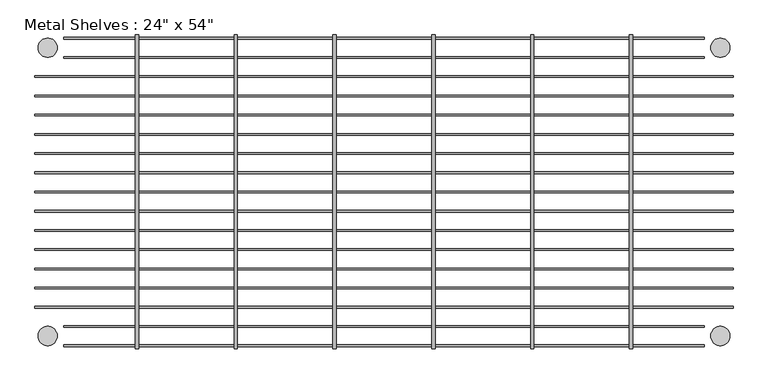
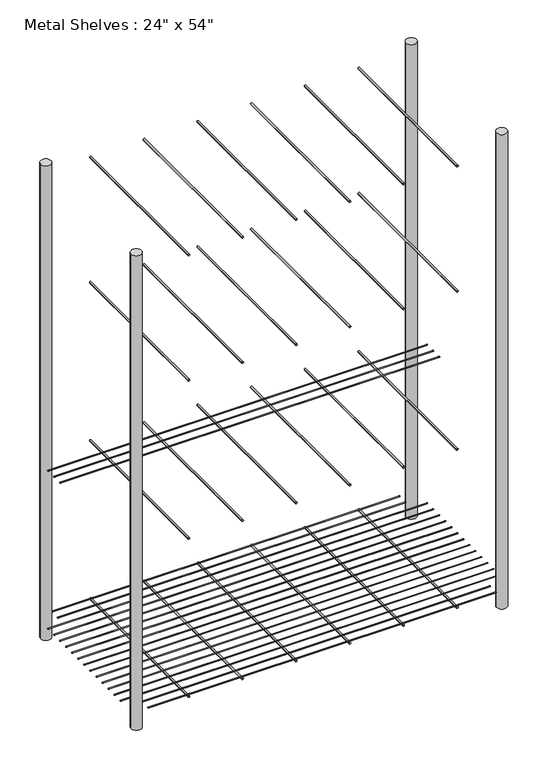
"""IFC4 building model written with IfcOpenShell, lengths in millimetres: proxy geometry."""

from ifc_helpers import new_model, si_unit, point, frame, frame_2d, origin, origin_with_axes, place, context, project, spatial, circle_curve, trimmed, segment, composite_curve, outline, extrude, source, transform, mapped, element, save


def proxy_f525ea21(model_context):
    return source(origin(), model_context, "Body", "SweptSolid", [
        extrude(outline(composite_curve([segment(trimmed(circle_curve(frame_2d((152.4, 684.2125)), 1.5875), [point((150.8125, 684.2125))], [point((153.9875, 684.2125))], False, "CARTESIAN"), True, "CONTINUOUS"), segment(trimmed(circle_curve(frame_2d((152.4, 684.2125)), 1.5875), [point((153.9875, 684.2125))], [point((150.8125, 684.2125))], False, "CARTESIAN"), True, "CONTINUOUS")], self_intersect=False)), frame((-692.15, 0.0, 0.0), z_axis=(1.0, 0.0, 0.0), x_axis=(0.0, 1.0, 0.0)), (0.0, 0.0, 1.0), 1384.3),
        extrude(outline(composite_curve([segment(trimmed(circle_curve(frame_2d((190.5, 684.2125)), 1.5875), [point((188.9125, 684.2125))], [point((192.0875, 684.2125))], False, "CARTESIAN"), True, "CONTINUOUS"), segment(trimmed(circle_curve(frame_2d((190.5, 684.2125)), 1.5875), [point((192.0875, 684.2125))], [point((188.9125, 684.2125))], False, "CARTESIAN"), True, "CONTINUOUS")], self_intersect=False)), frame((-692.15, 0.0, 0.0), z_axis=(1.0, 0.0, 0.0), x_axis=(0.0, 1.0, 0.0)), (0.0, 0.0, 1.0), 1384.3),
        extrude(outline(composite_curve([segment(trimmed(circle_curve(frame_2d((228.6, 684.2125)), 1.5875), [point((227.0125, 684.2125))], [point((230.1875, 684.2125))], False, "CARTESIAN"), True, "CONTINUOUS"), segment(trimmed(circle_curve(frame_2d((228.6, 684.2125)), 1.5875), [point((230.1875, 684.2125))], [point((227.0125, 684.2125))], False, "CARTESIAN"), True, "CONTINUOUS")], self_intersect=False)), frame((-692.15, 0.0, 0.0), z_axis=(1.0, 0.0, 0.0), x_axis=(0.0, 1.0, 0.0)), (0.0, 0.0, 1.0), 1384.3),
        extrude(outline(composite_curve([segment(trimmed(circle_curve(frame_2d((304.8, 74.6125)), 1.5875), [point((303.2125, 74.6125))], [point((306.3875, 74.6125))], False, "CARTESIAN"), True, "CONTINUOUS"), segment(trimmed(circle_curve(frame_2d((304.8, 74.6125)), 1.5875), [point((306.3875, 74.6125))], [point((303.2125, 74.6125))], False, "CARTESIAN"), True, "CONTINUOUS")], self_intersect=False)), frame((-635.0, 0.0, 0.0), z_axis=(1.0, 0.0, 0.0), x_axis=(0.0, 1.0, 0.0)), (0.0, 0.0, 1.0), 1270.0),
        extrude(outline(composite_curve([segment(trimmed(circle_curve(frame_2d((266.7, 74.6125)), 1.5875), [point((265.1125, 74.6125))], [point((268.2875, 74.6125))], False, "CARTESIAN"), True, "CONTINUOUS"), segment(trimmed(circle_curve(frame_2d((266.7, 74.6125)), 1.5875), [point((268.2875, 74.6125))], [point((265.1125, 74.6125))], False, "CARTESIAN"), True, "CONTINUOUS")], self_intersect=False)), frame((-635.0, 0.0, 0.0), z_axis=(1.0, 0.0, 0.0), x_axis=(0.0, 1.0, 0.0)), (0.0, 0.0, 1.0), 1270.0),
        extrude(outline(composite_curve([segment(trimmed(circle_curve(frame_2d((-304.8, 74.6125)), 1.5875), [point((-306.3875, 74.6125))], [point((-303.2125, 74.6125))], False, "CARTESIAN"), True, "CONTINUOUS"), segment(trimmed(circle_curve(frame_2d((-304.8, 74.6125)), 1.5875), [point((-303.2125, 74.6125))], [point((-306.3875, 74.6125))], False, "CARTESIAN"), True, "CONTINUOUS")], self_intersect=False)), frame((-635.0, 0.0, 0.0), z_axis=(1.0, 0.0, 0.0), x_axis=(0.0, 1.0, 0.0)), (0.0, 0.0, 1.0), 1270.0),
        extrude(outline(composite_curve([segment(trimmed(circle_curve(frame_2d((-266.7, 74.6125)), 1.5875), [point((-268.2875, 74.6125))], [point((-265.1125, 74.6125))], False, "CARTESIAN"), True, "CONTINUOUS"), segment(trimmed(circle_curve(frame_2d((-266.7, 74.6125)), 1.5875), [point((-265.1125, 74.6125))], [point((-268.2875, 74.6125))], False, "CARTESIAN"), True, "CONTINUOUS")], self_intersect=False)), frame((-635.0, 0.0, 0.0), z_axis=(1.0, 0.0, 0.0), x_axis=(0.0, 1.0, 0.0)), (0.0, 0.0, 1.0), 1270.0),
        extrude(outline(composite_curve([segment(trimmed(circle_curve(frame_2d((-228.6, 74.6125)), 1.5875), [point((-230.1875, 74.6125))], [point((-227.0125, 74.6125))], False, "CARTESIAN"), True, "CONTINUOUS"), segment(trimmed(circle_curve(frame_2d((-228.6, 74.6125)), 1.5875), [point((-227.0125, 74.6125))], [point((-230.1875, 74.6125))], False, "CARTESIAN"), True, "CONTINUOUS")], self_intersect=False)), frame((-692.15, 0.0, 0.0), z_axis=(1.0, 0.0, 0.0), x_axis=(0.0, 1.0, 0.0)), (0.0, 0.0, 1.0), 1384.3),
        extrude(outline(composite_curve([segment(trimmed(circle_curve(frame_2d((-190.5, 74.6125)), 1.5875), [point((-192.0875, 74.6125))], [point((-188.9125, 74.6125))], False, "CARTESIAN"), True, "CONTINUOUS"), segment(trimmed(circle_curve(frame_2d((-190.5, 74.6125)), 1.5875), [point((-188.9125, 74.6125))], [point((-192.0875, 74.6125))], False, "CARTESIAN"), True, "CONTINUOUS")], self_intersect=False)), frame((-692.15, 0.0, 0.0), z_axis=(1.0, 0.0, 0.0), x_axis=(0.0, 1.0, 0.0)), (0.0, 0.0, 1.0), 1384.3),
        extrude(outline(composite_curve([segment(trimmed(circle_curve(frame_2d((-152.4, 74.6125)), 1.5875), [point((-153.9875, 74.6125))], [point((-150.8125, 74.6125))], False, "CARTESIAN"), True, "CONTINUOUS"), segment(trimmed(circle_curve(frame_2d((-152.4, 74.6125)), 1.5875), [point((-150.8125, 74.6125))], [point((-153.9875, 74.6125))], False, "CARTESIAN"), True, "CONTINUOUS")], self_intersect=False)), frame((-692.15, 0.0, 0.0), z_axis=(1.0, 0.0, 0.0), x_axis=(0.0, 1.0, 0.0)), (0.0, 0.0, 1.0), 1384.3),
        extrude(outline(composite_curve([segment(trimmed(circle_curve(frame_2d((-114.3, 74.6125)), 1.5875), [point((-115.8875, 74.6125))], [point((-112.7125, 74.6125))], False, "CARTESIAN"), True, "CONTINUOUS"), segment(trimmed(circle_curve(frame_2d((-114.3, 74.6125)), 1.5875), [point((-112.7125, 74.6125))], [point((-115.8875, 74.6125))], False, "CARTESIAN"), True, "CONTINUOUS")], self_intersect=False)), frame((-692.15, 0.0, 0.0), z_axis=(1.0, 0.0, 0.0), x_axis=(0.0, 1.0, 0.0)), (0.0, 0.0, 1.0), 1384.3),
        extrude(outline(composite_curve([segment(trimmed(circle_curve(frame_2d((-76.2, 74.6125)), 1.5875), [point((-77.7875, 74.6125))], [point((-74.6125, 74.6125))], False, "CARTESIAN"), True, "CONTINUOUS"), segment(trimmed(circle_curve(frame_2d((-76.2, 74.6125)), 1.5875), [point((-74.6125, 74.6125))], [point((-77.7875, 74.6125))], False, "CARTESIAN"), True, "CONTINUOUS")], self_intersect=False)), frame((-692.15, 0.0, 0.0), z_axis=(1.0, 0.0, 0.0), x_axis=(0.0, 1.0, 0.0)), (0.0, 0.0, 1.0), 1384.3),
        extrude(outline(composite_curve([segment(trimmed(circle_curve(frame_2d((-38.1, 74.6125)), 1.5875), [point((-39.6875, 74.6125))], [point((-36.5125, 74.6125))], False, "CARTESIAN"), True, "CONTINUOUS"), segment(trimmed(circle_curve(frame_2d((-38.1, 74.6125)), 1.5875), [point((-36.5125, 74.6125))], [point((-39.6875, 74.6125))], False, "CARTESIAN"), True, "CONTINUOUS")], self_intersect=False)), frame((-692.15, 0.0, 0.0), z_axis=(1.0, 0.0, 0.0), x_axis=(0.0, 1.0, 0.0)), (0.0, 0.0, 1.0), 1384.3),
        extrude(outline(composite_curve([segment(trimmed(circle_curve(frame_2d((0.0, 74.6125)), 1.5875), [point((-1.5875, 74.6125))], [point((1.5875, 74.6125))], False, "CARTESIAN"), True, "CONTINUOUS"), segment(trimmed(circle_curve(frame_2d((0.0, 74.6125)), 1.5875), [point((1.5875, 74.6125))], [point((-1.5875, 74.6125))], False, "CARTESIAN"), True, "CONTINUOUS")], self_intersect=False)), frame((-692.15, 0.0, 0.0), z_axis=(1.0, 0.0, 0.0), x_axis=(0.0, 1.0, 0.0)), (0.0, 0.0, 1.0), 1384.3),
        extrude(outline(composite_curve([segment(trimmed(circle_curve(frame_2d((38.1, 74.6125)), 1.5875), [point((36.5125, 74.6125))], [point((39.6875, 74.6125))], False, "CARTESIAN"), True, "CONTINUOUS"), segment(trimmed(circle_curve(frame_2d((38.1, 74.6125)), 1.5875), [point((39.6875, 74.6125))], [point((36.5125, 74.6125))], False, "CARTESIAN"), True, "CONTINUOUS")], self_intersect=False)), frame((-692.15, 0.0, 0.0), z_axis=(1.0, 0.0, 0.0), x_axis=(0.0, 1.0, 0.0)), (0.0, 0.0, 1.0), 1384.3),
        extrude(outline(composite_curve([segment(trimmed(circle_curve(frame_2d((76.2, 74.6125)), 1.5875), [point((74.6125, 74.6125))], [point((77.7875, 74.6125))], False, "CARTESIAN"), True, "CONTINUOUS"), segment(trimmed(circle_curve(frame_2d((76.2, 74.6125)), 1.5875), [point((77.7875, 74.6125))], [point((74.6125, 74.6125))], False, "CARTESIAN"), True, "CONTINUOUS")], self_intersect=False)), frame((-692.15, 0.0, 0.0), z_axis=(1.0, 0.0, 0.0), x_axis=(0.0, 1.0, 0.0)), (0.0, 0.0, 1.0), 1384.3),
        extrude(outline(composite_curve([segment(trimmed(circle_curve(frame_2d((114.3, 74.6125)), 1.5875), [point((112.7125, 74.6125))], [point((115.8875, 74.6125))], False, "CARTESIAN"), True, "CONTINUOUS"), segment(trimmed(circle_curve(frame_2d((114.3, 74.6125)), 1.5875), [point((115.8875, 74.6125))], [point((112.7125, 74.6125))], False, "CARTESIAN"), True, "CONTINUOUS")], self_intersect=False)), frame((-692.15, 0.0, 0.0), z_axis=(1.0, 0.0, 0.0), x_axis=(0.0, 1.0, 0.0)), (0.0, 0.0, 1.0), 1384.3),
        extrude(outline(composite_curve([segment(trimmed(circle_curve(frame_2d((152.4, 74.6125)), 1.5875), [point((150.8125, 74.6125))], [point((153.9875, 74.6125))], False, "CARTESIAN"), True, "CONTINUOUS"), segment(trimmed(circle_curve(frame_2d((152.4, 74.6125)), 1.5875), [point((153.9875, 74.6125))], [point((150.8125, 74.6125))], False, "CARTESIAN"), True, "CONTINUOUS")], self_intersect=False)), frame((-692.15, 0.0, 0.0), z_axis=(1.0, 0.0, 0.0), x_axis=(0.0, 1.0, 0.0)), (0.0, 0.0, 1.0), 1384.3),
        extrude(outline(composite_curve([segment(trimmed(circle_curve(frame_2d((190.5, 74.6125)), 1.5875), [point((188.9125, 74.6125))], [point((192.0875, 74.6125))], False, "CARTESIAN"), True, "CONTINUOUS"), segment(trimmed(circle_curve(frame_2d((190.5, 74.6125)), 1.5875), [point((192.0875, 74.6125))], [point((188.9125, 74.6125))], False, "CARTESIAN"), True, "CONTINUOUS")], self_intersect=False)), frame((-692.15, 0.0, 0.0), z_axis=(1.0, 0.0, 0.0), x_axis=(0.0, 1.0, 0.0)), (0.0, 0.0, 1.0), 1384.3),
        extrude(outline(composite_curve([segment(trimmed(circle_curve(frame_2d((228.6, 74.6125)), 1.5875), [point((227.0125, 74.6125))], [point((230.1875, 74.6125))], False, "CARTESIAN"), True, "CONTINUOUS"), segment(trimmed(circle_curve(frame_2d((228.6, 74.6125)), 1.5875), [point((230.1875, 74.6125))], [point((227.0125, 74.6125))], False, "CARTESIAN"), True, "CONTINUOUS")], self_intersect=False)), frame((-692.15, 0.0, 0.0), z_axis=(1.0, 0.0, 0.0), x_axis=(0.0, 1.0, 0.0)), (0.0, 0.0, 1.0), 1384.3),
        extrude(outline(composite_curve([segment(trimmed(circle_curve(frame_2d((1771.65, 489.8571429)), 3.175), [point((1771.65, 486.6821429))], [point((1771.65, 493.0321429))], False, "CARTESIAN"), True, "CONTINUOUS"), segment(trimmed(circle_curve(frame_2d((1771.65, 489.8571429)), 3.175), [point((1771.65, 493.0321429))], [point((1771.65, 486.6821429))], False, "CARTESIAN"), True, "CONTINUOUS")], self_intersect=False)), frame((0.0, -311.15, 0.0), z_axis=(0.0, 1.0, 0.0), x_axis=(0.0, 0.0, 1.0)), (0.0, 0.0, 1.0), 622.3),
        extrude(outline(composite_curve([segment(trimmed(circle_curve(frame_2d((1771.65, 293.9142857)), 3.175), [point((1771.65, 290.7392857))], [point((1771.65, 297.0892857))], False, "CARTESIAN"), True, "CONTINUOUS"), segment(trimmed(circle_curve(frame_2d((1771.65, 293.9142857)), 3.175), [point((1771.65, 297.0892857))], [point((1771.65, 290.7392857))], False, "CARTESIAN"), True, "CONTINUOUS")], self_intersect=False)), frame((0.0, -311.15, 0.0), z_axis=(0.0, 1.0, 0.0), x_axis=(0.0, 0.0, 1.0)), (0.0, 0.0, 1.0), 622.3),
        extrude(outline(composite_curve([segment(trimmed(circle_curve(frame_2d((1771.65, 97.9714286)), 3.175), [point((1771.65, 94.7964286))], [point((1771.65, 101.1464286))], False, "CARTESIAN"), True, "CONTINUOUS"), segment(trimmed(circle_curve(frame_2d((1771.65, 97.9714286)), 3.175), [point((1771.65, 101.1464286))], [point((1771.65, 94.7964286))], False, "CARTESIAN"), True, "CONTINUOUS")], self_intersect=False)), frame((0.0, -311.15, 0.0), z_axis=(0.0, 1.0, 0.0), x_axis=(0.0, 0.0, 1.0)), (0.0, 0.0, 1.0), 622.3),
        extrude(outline(composite_curve([segment(trimmed(circle_curve(frame_2d((1771.65, -489.8571429)), 3.175), [point((1771.65, -493.0321429))], [point((1771.65, -486.6821429))], False, "CARTESIAN"), True, "CONTINUOUS"), segment(trimmed(circle_curve(frame_2d((1771.65, -489.8571429)), 3.175), [point((1771.65, -486.6821429))], [point((1771.65, -493.0321429))], False, "CARTESIAN"), True, "CONTINUOUS")], self_intersect=False)), frame((0.0, -311.15, 0.0), z_axis=(0.0, 1.0, 0.0), x_axis=(0.0, 0.0, 1.0)), (0.0, 0.0, 1.0), 622.3),
        extrude(outline(composite_curve([segment(trimmed(circle_curve(frame_2d((1771.65, -293.9142857)), 3.175), [point((1771.65, -297.0892857))], [point((1771.65, -290.7392857))], False, "CARTESIAN"), True, "CONTINUOUS"), segment(trimmed(circle_curve(frame_2d((1771.65, -293.9142857)), 3.175), [point((1771.65, -290.7392857))], [point((1771.65, -297.0892857))], False, "CARTESIAN"), True, "CONTINUOUS")], self_intersect=False)), frame((0.0, -311.15, 0.0), z_axis=(0.0, 1.0, 0.0), x_axis=(0.0, 0.0, 1.0)), (0.0, 0.0, 1.0), 622.3),
        extrude(outline(composite_curve([segment(trimmed(circle_curve(frame_2d((1771.65, -97.9714286)), 3.175), [point((1771.65, -101.1464286))], [point((1771.65, -94.7964286))], False, "CARTESIAN"), True, "CONTINUOUS"), segment(trimmed(circle_curve(frame_2d((1771.65, -97.9714286)), 3.175), [point((1771.65, -94.7964286))], [point((1771.65, -101.1464286))], False, "CARTESIAN"), True, "CONTINUOUS")], self_intersect=False)), frame((0.0, -311.15, 0.0), z_axis=(0.0, 1.0, 0.0), x_axis=(0.0, 0.0, 1.0)), (0.0, 0.0, 1.0), 622.3),
        extrude(outline(composite_curve([segment(trimmed(circle_curve(frame_2d((1289.05, 489.8571429)), 3.175), [point((1289.05, 486.6821429))], [point((1289.05, 493.0321429))], False, "CARTESIAN"), True, "CONTINUOUS"), segment(trimmed(circle_curve(frame_2d((1289.05, 489.8571429)), 3.175), [point((1289.05, 493.0321429))], [point((1289.05, 486.6821429))], False, "CARTESIAN"), True, "CONTINUOUS")], self_intersect=False)), frame((0.0, -311.15, 0.0), z_axis=(0.0, 1.0, 0.0), x_axis=(0.0, 0.0, 1.0)), (0.0, 0.0, 1.0), 622.3),
        extrude(outline(composite_curve([segment(trimmed(circle_curve(frame_2d((1289.05, 293.9142857)), 3.175), [point((1289.05, 290.7392857))], [point((1289.05, 297.0892857))], False, "CARTESIAN"), True, "CONTINUOUS"), segment(trimmed(circle_curve(frame_2d((1289.05, 293.9142857)), 3.175), [point((1289.05, 297.0892857))], [point((1289.05, 290.7392857))], False, "CARTESIAN"), True, "CONTINUOUS")], self_intersect=False)), frame((0.0, -311.15, 0.0), z_axis=(0.0, 1.0, 0.0), x_axis=(0.0, 0.0, 1.0)), (0.0, 0.0, 1.0), 622.3),
        extrude(outline(composite_curve([segment(trimmed(circle_curve(frame_2d((1289.05, 97.9714286)), 3.175), [point((1289.05, 94.7964286))], [point((1289.05, 101.1464286))], False, "CARTESIAN"), True, "CONTINUOUS"), segment(trimmed(circle_curve(frame_2d((1289.05, 97.9714286)), 3.175), [point((1289.05, 101.1464286))], [point((1289.05, 94.7964286))], False, "CARTESIAN"), True, "CONTINUOUS")], self_intersect=False)), frame((0.0, -311.15, 0.0), z_axis=(0.0, 1.0, 0.0), x_axis=(0.0, 0.0, 1.0)), (0.0, 0.0, 1.0), 622.3),
        extrude(outline(composite_curve([segment(trimmed(circle_curve(frame_2d((1289.05, -489.8571429)), 3.175), [point((1289.05, -493.0321429))], [point((1289.05, -486.6821429))], False, "CARTESIAN"), True, "CONTINUOUS"), segment(trimmed(circle_curve(frame_2d((1289.05, -489.8571429)), 3.175), [point((1289.05, -486.6821429))], [point((1289.05, -493.0321429))], False, "CARTESIAN"), True, "CONTINUOUS")], self_intersect=False)), frame((0.0, -311.15, 0.0), z_axis=(0.0, 1.0, 0.0), x_axis=(0.0, 0.0, 1.0)), (0.0, 0.0, 1.0), 622.3),
        extrude(outline(composite_curve([segment(trimmed(circle_curve(frame_2d((1289.05, -293.9142857)), 3.175), [point((1289.05, -297.0892857))], [point((1289.05, -290.7392857))], False, "CARTESIAN"), True, "CONTINUOUS"), segment(trimmed(circle_curve(frame_2d((1289.05, -293.9142857)), 3.175), [point((1289.05, -290.7392857))], [point((1289.05, -297.0892857))], False, "CARTESIAN"), True, "CONTINUOUS")], self_intersect=False)), frame((0.0, -311.15, 0.0), z_axis=(0.0, 1.0, 0.0), x_axis=(0.0, 0.0, 1.0)), (0.0, 0.0, 1.0), 622.3),
        extrude(outline(composite_curve([segment(trimmed(circle_curve(frame_2d((1289.05, -97.9714286)), 3.175), [point((1289.05, -101.1464286))], [point((1289.05, -94.7964286))], False, "CARTESIAN"), True, "CONTINUOUS"), segment(trimmed(circle_curve(frame_2d((1289.05, -97.9714286)), 3.175), [point((1289.05, -94.7964286))], [point((1289.05, -101.1464286))], False, "CARTESIAN"), True, "CONTINUOUS")], self_intersect=False)), frame((0.0, -311.15, 0.0), z_axis=(0.0, 1.0, 0.0), x_axis=(0.0, 0.0, 1.0)), (0.0, 0.0, 1.0), 622.3),
        extrude(outline(composite_curve([segment(trimmed(circle_curve(frame_2d((679.45, 489.8571429)), 3.175), [point((679.45, 486.6821429))], [point((679.45, 493.0321429))], False, "CARTESIAN"), True, "CONTINUOUS"), segment(trimmed(circle_curve(frame_2d((679.45, 489.8571429)), 3.175), [point((679.45, 493.0321429))], [point((679.45, 486.6821429))], False, "CARTESIAN"), True, "CONTINUOUS")], self_intersect=False)), frame((0.0, -311.15, 0.0), z_axis=(0.0, 1.0, 0.0), x_axis=(0.0, 0.0, 1.0)), (0.0, 0.0, 1.0), 622.3),
        extrude(outline(composite_curve([segment(trimmed(circle_curve(frame_2d((679.45, 293.9142857)), 3.175), [point((679.45, 290.7392857))], [point((679.45, 297.0892857))], False, "CARTESIAN"), True, "CONTINUOUS"), segment(trimmed(circle_curve(frame_2d((679.45, 293.9142857)), 3.175), [point((679.45, 297.0892857))], [point((679.45, 290.7392857))], False, "CARTESIAN"), True, "CONTINUOUS")], self_intersect=False)), frame((0.0, -311.15, 0.0), z_axis=(0.0, 1.0, 0.0), x_axis=(0.0, 0.0, 1.0)), (0.0, 0.0, 1.0), 622.3),
        extrude(outline(composite_curve([segment(trimmed(circle_curve(frame_2d((679.45, 97.9714286)), 3.175), [point((679.45, 94.7964286))], [point((679.45, 101.1464286))], False, "CARTESIAN"), True, "CONTINUOUS"), segment(trimmed(circle_curve(frame_2d((679.45, 97.9714286)), 3.175), [point((679.45, 101.1464286))], [point((679.45, 94.7964286))], False, "CARTESIAN"), True, "CONTINUOUS")], self_intersect=False)), frame((0.0, -311.15, 0.0), z_axis=(0.0, 1.0, 0.0), x_axis=(0.0, 0.0, 1.0)), (0.0, 0.0, 1.0), 622.3),
        extrude(outline(composite_curve([segment(trimmed(circle_curve(frame_2d((679.45, -489.8571429)), 3.175), [point((679.45, -493.0321429))], [point((679.45, -486.6821429))], False, "CARTESIAN"), True, "CONTINUOUS"), segment(trimmed(circle_curve(frame_2d((679.45, -489.8571429)), 3.175), [point((679.45, -486.6821429))], [point((679.45, -493.0321429))], False, "CARTESIAN"), True, "CONTINUOUS")], self_intersect=False)), frame((0.0, -311.15, 0.0), z_axis=(0.0, 1.0, 0.0), x_axis=(0.0, 0.0, 1.0)), (0.0, 0.0, 1.0), 622.3),
        extrude(outline(composite_curve([segment(trimmed(circle_curve(frame_2d((679.45, -293.9142857)), 3.175), [point((679.45, -297.0892857))], [point((679.45, -290.7392857))], False, "CARTESIAN"), True, "CONTINUOUS"), segment(trimmed(circle_curve(frame_2d((679.45, -293.9142857)), 3.175), [point((679.45, -290.7392857))], [point((679.45, -297.0892857))], False, "CARTESIAN"), True, "CONTINUOUS")], self_intersect=False)), frame((0.0, -311.15, 0.0), z_axis=(0.0, 1.0, 0.0), x_axis=(0.0, 0.0, 1.0)), (0.0, 0.0, 1.0), 622.3),
        extrude(outline(composite_curve([segment(trimmed(circle_curve(frame_2d((679.45, -97.9714286)), 3.175), [point((679.45, -101.1464286))], [point((679.45, -94.7964286))], False, "CARTESIAN"), True, "CONTINUOUS"), segment(trimmed(circle_curve(frame_2d((679.45, -97.9714286)), 3.175), [point((679.45, -94.7964286))], [point((679.45, -101.1464286))], False, "CARTESIAN"), True, "CONTINUOUS")], self_intersect=False)), frame((0.0, -311.15, 0.0), z_axis=(0.0, 1.0, 0.0), x_axis=(0.0, 0.0, 1.0)), (0.0, 0.0, 1.0), 622.3),
        extrude(outline(composite_curve([segment(trimmed(circle_curve(frame_2d((69.85, 489.8571429)), 3.175), [point((69.85, 486.6821429))], [point((69.85, 493.0321429))], False, "CARTESIAN"), True, "CONTINUOUS"), segment(trimmed(circle_curve(frame_2d((69.85, 489.8571429)), 3.175), [point((69.85, 493.0321429))], [point((69.85, 486.6821429))], False, "CARTESIAN"), True, "CONTINUOUS")], self_intersect=False)), frame((0.0, -311.15, 0.0), z_axis=(0.0, 1.0, 0.0), x_axis=(0.0, 0.0, 1.0)), (0.0, 0.0, 1.0), 622.3),
        extrude(outline(composite_curve([segment(trimmed(circle_curve(frame_2d((69.85, 293.9142857)), 3.175), [point((69.85, 290.7392857))], [point((69.85, 297.0892857))], False, "CARTESIAN"), True, "CONTINUOUS"), segment(trimmed(circle_curve(frame_2d((69.85, 293.9142857)), 3.175), [point((69.85, 297.0892857))], [point((69.85, 290.7392857))], False, "CARTESIAN"), True, "CONTINUOUS")], self_intersect=False)), frame((0.0, -311.15, 0.0), z_axis=(0.0, 1.0, 0.0), x_axis=(0.0, 0.0, 1.0)), (0.0, 0.0, 1.0), 622.3),
        extrude(outline(composite_curve([segment(trimmed(circle_curve(frame_2d((69.85, 97.9714286)), 3.175), [point((69.85, 94.7964286))], [point((69.85, 101.1464286))], False, "CARTESIAN"), True, "CONTINUOUS"), segment(trimmed(circle_curve(frame_2d((69.85, 97.9714286)), 3.175), [point((69.85, 101.1464286))], [point((69.85, 94.7964286))], False, "CARTESIAN"), True, "CONTINUOUS")], self_intersect=False)), frame((0.0, -311.15, 0.0), z_axis=(0.0, 1.0, 0.0), x_axis=(0.0, 0.0, 1.0)), (0.0, 0.0, 1.0), 622.3),
        extrude(outline(composite_curve([segment(trimmed(circle_curve(frame_2d((69.85, -489.8571429)), 3.175), [point((69.85, -493.0321429))], [point((69.85, -486.6821429))], False, "CARTESIAN"), True, "CONTINUOUS"), segment(trimmed(circle_curve(frame_2d((69.85, -489.8571429)), 3.175), [point((69.85, -486.6821429))], [point((69.85, -493.0321429))], False, "CARTESIAN"), True, "CONTINUOUS")], self_intersect=False)), frame((0.0, -311.15, 0.0), z_axis=(0.0, 1.0, 0.0), x_axis=(0.0, 0.0, 1.0)), (0.0, 0.0, 1.0), 622.3),
        extrude(outline(composite_curve([segment(trimmed(circle_curve(frame_2d((69.85, -293.9142857)), 3.175), [point((69.85, -297.0892857))], [point((69.85, -290.7392857))], False, "CARTESIAN"), True, "CONTINUOUS"), segment(trimmed(circle_curve(frame_2d((69.85, -293.9142857)), 3.175), [point((69.85, -290.7392857))], [point((69.85, -297.0892857))], False, "CARTESIAN"), True, "CONTINUOUS")], self_intersect=False)), frame((0.0, -311.15, 0.0), z_axis=(0.0, 1.0, 0.0), x_axis=(0.0, 0.0, 1.0)), (0.0, 0.0, 1.0), 622.3),
        extrude(outline(composite_curve([segment(trimmed(circle_curve(frame_2d((69.85, -97.9714286)), 3.175), [point((69.85, -101.1464286))], [point((69.85, -94.7964286))], False, "CARTESIAN"), True, "CONTINUOUS"), segment(trimmed(circle_curve(frame_2d((69.85, -97.9714286)), 3.175), [point((69.85, -94.7964286))], [point((69.85, -101.1464286))], False, "CARTESIAN"), True, "CONTINUOUS")], self_intersect=False)), frame((0.0, -311.15, 0.0), z_axis=(0.0, 1.0, 0.0), x_axis=(0.0, 0.0, 1.0)), (0.0, 0.0, 1.0), 622.3),
        extrude(outline(composite_curve([segment(trimmed(circle_curve(frame_2d((666.75, -285.75)), 19.05), [point((685.8, -285.75))], [point((647.7, -285.75))], False, "CARTESIAN"), True, "CONTINUOUS"), segment(trimmed(circle_curve(frame_2d((666.75, -285.75)), 19.05), [point((647.7, -285.75))], [point((685.8, -285.75))], False, "CARTESIAN"), True, "CONTINUOUS")], self_intersect=False)), origin_with_axes(), (0.0, 0.0, 1.0), 1828.8),
        extrude(outline(composite_curve([segment(trimmed(circle_curve(frame_2d((-666.75, -285.75)), 19.05), [point((-685.8, -285.75))], [point((-647.7, -285.75))], False, "CARTESIAN"), True, "CONTINUOUS"), segment(trimmed(circle_curve(frame_2d((-666.75, -285.75)), 19.05), [point((-647.7, -285.75))], [point((-685.8, -285.75))], False, "CARTESIAN"), True, "CONTINUOUS")], self_intersect=False)), origin_with_axes(), (0.0, 0.0, 1.0), 1828.8),
        extrude(outline(composite_curve([segment(trimmed(circle_curve(frame_2d((666.75, 285.75)), 19.05), [point((685.8, 285.75))], [point((647.7, 285.75))], False, "CARTESIAN"), True, "CONTINUOUS"), segment(trimmed(circle_curve(frame_2d((666.75, 285.75)), 19.05), [point((647.7, 285.75))], [point((685.8, 285.75))], False, "CARTESIAN"), True, "CONTINUOUS")], self_intersect=False)), origin_with_axes(), (0.0, 0.0, 1.0), 1828.8),
        extrude(outline(composite_curve([segment(trimmed(circle_curve(frame_2d((-666.75, 285.75)), 19.05), [point((-685.8, 285.75))], [point((-647.7, 285.75))], False, "CARTESIAN"), True, "CONTINUOUS"), segment(trimmed(circle_curve(frame_2d((-666.75, 285.75)), 19.05), [point((-647.7, 285.75))], [point((-685.8, 285.75))], False, "CARTESIAN"), True, "CONTINUOUS")], self_intersect=False)), origin_with_axes(), (0.0, 0.0, 1.0), 1828.8),
    ])


if __name__ == "__main__":
    model = new_model("IFC4")
    model_context = context("Model", 3, world=origin())
    ifc_project = project(units=[si_unit("LENGTHUNIT", "METRE", prefix="MILLI")], contexts=[model_context])
    site = spatial("IfcSite", under=ifc_project)
    building = spatial("IfcBuilding", under=site)
    placement = place(None, origin())
    proxy_shape = proxy_f525ea21(model_context)
    element("IfcBuildingElementProxy", 1, Name="Metal Shelves : 24\" x 54\"", ObjectType="Metal Shelves : 24\" x 54\"", at=placement, inside=building, context=model_context, shape_type="MappedRepresentation", body=[
        mapped(proxy_shape, transform((0.0, 0.0, 0.0), x_axis=(1.0, 0.0, 0.0), y_axis=(0.0, 1.0, 0.0), z_axis=(0.0, 0.0, 1.0))),
    ])
    save(model, "model.ifc")
